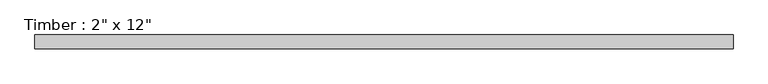
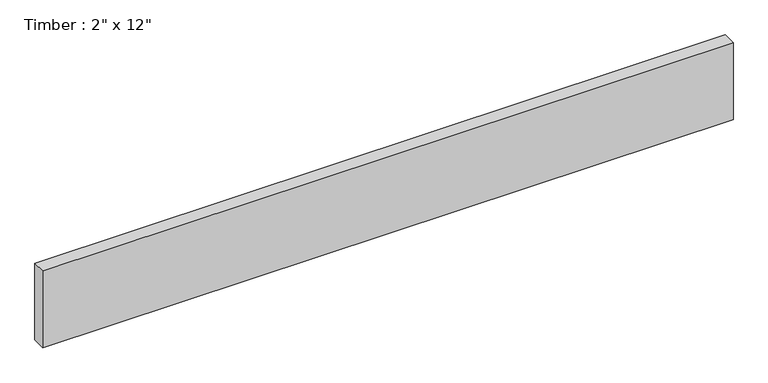
"""IFC4 building model written with IfcOpenShell, lengths in millimetres: beam geometry."""

from ifc_helpers import new_model, si_unit, frame, origin, place, context, project, spatial, polyline, outline, extrude, source, transform, mapped, element, save


def beam_e217231d(model_context):
    return source(origin(), model_context, "Body", "SweptSolid", [
        extrude(outline(polyline([(1294.4478567, 25.4), (1294.4478567, -25.4), (-1294.4478567, -25.4), (-1294.4478567, 25.4), (1294.4478567, 25.4)])), frame((0.0, 0.0, -152.4), z_axis=(0.0, 0.0, 1.0), x_axis=(1.0, 0.0, 0.0)), (0.0, 0.0, 1.0), 304.8),
    ])


if __name__ == "__main__":
    model = new_model("IFC4")
    model_context = context("Model", 3, world=origin())
    ifc_project = project(units=[si_unit("LENGTHUNIT", "METRE", prefix="MILLI")], contexts=[model_context])
    site = spatial("IfcSite", under=ifc_project)
    building = spatial("IfcBuilding", under=site)
    placement = place(None, origin())
    beam_shape = beam_e217231d(model_context)
    element("IfcBeam", 1, ObjectType="Timber : 2\" x 12\"", at=placement, inside=building, context=model_context, shape_type="MappedRepresentation", body=[
        mapped(beam_shape, transform((0.0, 0.0, 0.0), x_axis=(1.0, 0.0, 0.0), y_axis=(0.0, 1.0, 0.0), z_axis=(0.0, 0.0, 1.0))),
    ])
    save(model, "model.ifc")
